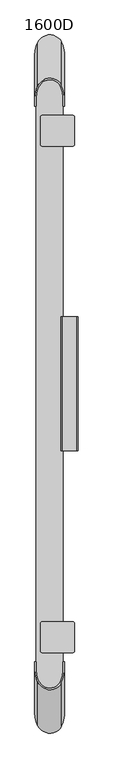
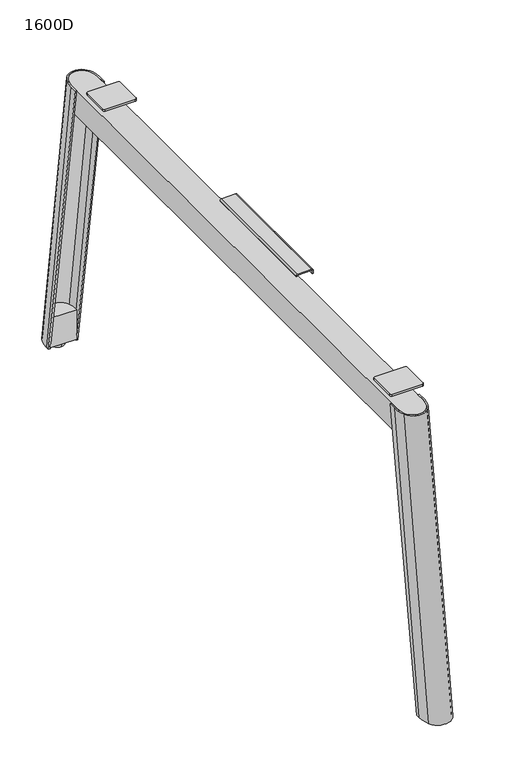
"""IFC4 building model written with IfcOpenShell, lengths in millimetres: furniture geometry, 1600D."""

from ifc_helpers import new_model, si_unit, point, frame, frame_2d, origin, place, context, project, spatial, polyline, circle_curve, trimmed, segment, composite_curve, outline, extrude, source, transform, mapped, element, save
from ifc_brep_helpers import plane_surface, cylinder_surface, extruded_surface, advanced_brep


def furniture_1600d_1111bcea(model_context):
    return source(origin(), model_context, "Body", "SolidModel", [
        extrude(outline(composite_curve([segment(polyline([(68.8203133, 718.8300936), (9.4999998, 718.8300936), (9.4999998, 730.4460962)]), True, "CONTINUOUS"), segment(trimmed(circle_curve(frame_2d((39.1601565, 730.4460962)), 29.6601567), [point((9.4999998, 730.4460962))], [point((68.8203133, 730.4460962))], False, "CARTESIAN"), True, "CONTINUOUS"), segment(polyline([(68.8203133, 730.4460962), (68.8203133, 718.8300936)]), True, "CONTINUOUS")], self_intersect=False)), frame((0.0, 0.0, 13.8007201), z_axis=(0.0, 0.0, 1.0), x_axis=(1.0, 0.0, 0.0)), (0.0, 0.0, 1.0), 70.145074),
        extrude(outline(composite_curve([segment(polyline([(68.8203133, -718.8300936), (68.8203133, -730.4460962)]), True, "CONTINUOUS"), segment(trimmed(circle_curve(frame_2d((39.1601565, -730.4460962)), 29.6601567), [point((68.8203133, -730.4460962))], [point((9.4999998, -730.4460962))], False, "CARTESIAN"), True, "CONTINUOUS"), segment(polyline([(9.4999998, -730.4460962), (9.4999998, -718.8300936), (68.8203133, -718.8300936)]), True, "CONTINUOUS")], self_intersect=False)), frame((0.0, 0.0, 13.8007201), z_axis=(0.0, 0.0, 1.0), x_axis=(1.0, 0.0, 0.0)), (0.0, 0.0, 1.0), 70.145074),
        advanced_brep(
        [(39.0898793, 742.200725, 0.0), (39.0898793, 727.9936344, 0.0), (39.0898793, 756.4078157, 0.0), (39.0898793, 727.9936344, 8.4999997), (39.0898793, 756.4078157, 8.4999997), (39.0898793, 737.1762861, 8.4999997), (39.0898793, 747.225164, 8.4999997), (39.0898793, 737.1762861, 16.425781), (39.0898793, 747.225164, 16.425781), (39.0898793, 742.200725, 16.425781)],
        [
            (0, 1),
            (1, 2, circle_curve(frame((39.0898793, 742.200725, 0.0), z_axis=(0.0, 0.0, -1.0), x_axis=(0.0, 1.0, 0.0)), 14.2070907)),
            (2, 0),
            (2, 1, circle_curve(frame((39.0898793, 742.200725, 0.0), z_axis=(0.0, 0.0, -1.0), x_axis=(0.0, 1.0, 0.0)), 14.2070907)),
            (1, 3),
            (3, 4, circle_curve(frame((39.0898793, 742.200725, 8.4999997), z_axis=(0.0, 0.0, -1.0), x_axis=(0.0, 1.0, 0.0)), 14.2070907)),
            (4, 2),
            (4, 3, circle_curve(frame((39.0898793, 742.200725, 8.4999997), z_axis=(0.0, 0.0, -1.0), x_axis=(0.0, 1.0, 0.0)), 14.2070907)),
            (3, 5),
            (5, 6, circle_curve(frame((39.0898793, 742.200725, 8.4999997), z_axis=(0.0, 0.0, -1.0), x_axis=(0.0, 1.0, 0.0)), 5.024439)),
            (6, 4),
            (6, 5, circle_curve(frame((39.0898793, 742.200725, 8.4999997), z_axis=(0.0, 0.0, -1.0), x_axis=(0.0, 1.0, 0.0)), 5.024439)),
            (5, 7),
            (7, 8, circle_curve(frame((39.0898793, 742.200725, 16.425781), z_axis=(0.0, 0.0, -1.0), x_axis=(0.0, 1.0, 0.0)), 5.024439)),
            (8, 6),
            (8, 7, circle_curve(frame((39.0898793, 742.200725, 16.425781), z_axis=(0.0, 0.0, -1.0), x_axis=(0.0, 1.0, 0.0)), 5.024439)),
            (7, 9),
            (9, 8),
        ],
        [
            plane_surface(frame((39.0898793, 742.200725, 0.0), z_axis=(0.0, 0.0, -1.0), x_axis=(0.0, 1.0, 0.0))),
            cylinder_surface(frame((39.0898793, 742.200725, 8.2128905), z_axis=(0.0, 0.0, -1.0), x_axis=(0.0, 1.0, 0.0)), 14.2070907),
            plane_surface(frame((39.0898793, 742.200725, 8.4999997), z_axis=(0.0, 0.0, 1.0), x_axis=(0.0, 1.0, 0.0))),
            cylinder_surface(frame((39.0898793, 742.200725, 8.2128905), z_axis=(0.0, 0.0, -1.0), x_axis=(0.0, 1.0, 0.0)), 5.024439),
            plane_surface(frame((39.0898793, 742.200725, 16.425781), z_axis=(0.0, 0.0, 1.0), x_axis=(0.0, 1.0, 0.0))),
        ],
        [
            (0, [[1, 2, 3]]),
            (0, [[-3, 4, -1]]),
            (1, [[5, 6, 7, -2]]),
            (1, [[-7, 8, -5, -4]]),
            (2, [[9, 10, 11, -6]]),
            (2, [[-11, 12, -9, -8]]),
            (3, [[13, 14, 15, -10]]),
            (3, [[-15, 16, -13, -12]]),
            (4, [[17, 18, -14]]),
            (4, [[-18, -17, -16]]),
        ],
    ),
        advanced_brep(
        [(6.0, 720.3455716, 9.9999392), (6.0, 729.1330566, 9.9999392), (12.3278754, 756.6042925, 9.9999392), (65.9903208, 757.1868484, 9.9999392), (72.000002, 732.3335408, 9.9999392), (72.000002, 720.3455716, 9.9999392), (68.8203133, 720.3455716, 9.9999392), (68.8203133, 732.3335408, 9.9999392), (64.8959051, 752.9141888, 9.9999392), (13.8271404, 752.6027447, 9.9999392), (9.4999998, 729.1330566, 9.9999392), (9.4999998, 720.3455716, 9.9999392), (6.0, 615.6790679, 689.9999617), (9.4999998, 615.6790679, 689.9999617), (9.4999998, 632.8830566, 689.9999617), (13.8271404, 656.3527447, 689.9999617), (64.8959051, 656.6641888, 689.9999617), (68.8203133, 636.0835408, 689.9999617), (68.8203133, 615.6790679, 689.9999617), (72.000002, 615.6790679, 689.9999617), (72.000002, 636.0835408, 689.9999617), (65.9903208, 660.9368484, 689.9999617), (12.3278754, 660.3542925, 689.9999617), (6.0, 632.8830566, 689.9999617)],
        [
            (0, 1),
            (1, 2, circle_curve(frame((68.794442, 729.1330566, 9.9999392), z_axis=(0.0, 0.0, -1.0), x_axis=(1.0, 0.0, 0.0)), 62.794442)),
            (2, 3, circle_curve(frame((39.3047374, 743.4799291, 9.9999392), z_axis=(0.0, 0.0, -1.0), x_axis=(1.0, 0.0, 0.0)), 30.0)),
            (3, 4, circle_curve(frame((17.6041738, 732.3335408, 9.9999392), z_axis=(0.0, 0.0, -1.0), x_axis=(1.0, 0.0, 0.0)), 54.3958282)),
            (4, 5),
            (5, 6),
            (6, 7),
            (7, 8, circle_curve(frame((12.8928932, 732.3335408, 9.9999392), z_axis=(0.0, 0.0, 1.0), x_axis=(1.0, 0.0, 0.0)), 55.9274201)),
            (8, 9, circle_curve(frame((39.4220553, 742.8326894, 9.9999392), z_axis=(0.0, 0.0, 1.0), x_axis=(1.0, 0.0, 0.0)), 27.3962343)),
            (9, 10, circle_curve(frame((75.3114051, 729.1330566, 9.9999392), z_axis=(0.0, 0.0, 1.0), x_axis=(1.0, 0.0, 0.0)), 65.8114053)),
            (10, 11),
            (11, 0),
            (12, 13),
            (13, 14),
            (14, 15, circle_curve(frame((75.3114051, 632.8830566, 689.9999617), z_axis=(0.0, 0.0, -1.0), x_axis=(1.0, 0.0, 0.0)), 65.8114053)),
            (15, 16, circle_curve(frame((39.4220553, 646.5826894, 689.9999617), z_axis=(0.0, 0.0, -1.0), x_axis=(1.0, 0.0, 0.0)), 27.3962343)),
            (16, 17, circle_curve(frame((12.8928932, 636.0835408, 689.9999617), z_axis=(0.0, 0.0, -1.0), x_axis=(1.0, 0.0, 0.0)), 55.9274201)),
            (17, 18),
            (18, 19),
            (19, 20),
            (20, 21, circle_curve(frame((17.6041738, 636.0835408, 689.9999617), z_axis=(0.0, 0.0, 1.0), x_axis=(1.0, 0.0, 0.0)), 54.3958282)),
            (21, 22, circle_curve(frame((39.3047374, 647.2299291, 689.9999617), z_axis=(0.0, 0.0, 1.0), x_axis=(1.0, 0.0, 0.0)), 30.0)),
            (22, 23, circle_curve(frame((68.794442, 632.8830566, 689.9999617), z_axis=(0.0, 0.0, 1.0), x_axis=(1.0, 0.0, 0.0)), 62.794442)),
            (23, 12),
            (13, 11),
            (10, 14),
            (9, 15),
            (8, 16),
            (7, 17),
            (6, 18),
            (19, 5),
            (4, 20),
            (3, 21),
            (2, 22),
            (1, 23),
            (0, 12),
        ],
        [
            plane_surface(frame((39.140156, 735.301963, 9.9999392), z_axis=(0.0, 0.0, -1.0), x_axis=(0.0, 1.0, 0.0))),
            plane_surface(frame((39.140156, 636.2464618, 689.9999617), z_axis=(0.0, 0.0, 1.0), x_axis=(0.0, 1.0, 0.0))),
            plane_surface(frame((9.4999998, 624.2810623, 689.9999617), z_axis=(1.0, 0.0, 0.0), x_axis=(0.0, 1.0, 0.0))),
            extruded_surface(trimmed(circle_curve(frame((75.3114051, 729.1330566, 9.9999392), z_axis=(0.0, 0.0, -1.0), x_axis=(1.0, 0.0, 0.0)), 65.8114053), [point((9.4999998, 729.1330566, 9.9999392))], [point((13.8271404, 752.6027447, 9.9999392))], True, "CARTESIAN"), (0.0, -96.25, 680.0000225), 686.778052284725),
            extruded_surface(trimmed(circle_curve(frame((39.4220553, 742.8326894, 9.9999392), z_axis=(0.0, 0.0, -1.0), x_axis=(1.0, 0.0, 0.0)), 27.3962343), [point((13.8271404, 752.6027447, 9.9999392))], [point((64.8959051, 752.9141888, 9.9999392))], True, "CARTESIAN"), (0.0, -96.25, 680.0000225), 686.778052284725),
            extruded_surface(trimmed(circle_curve(frame((12.8928932, 732.3335408, 9.9999392), z_axis=(0.0, 0.0, -1.0), x_axis=(1.0, 0.0, 0.0)), 55.9274201), [point((64.8959051, 752.9141888, 9.9999392))], [point((68.8203133, 732.3335408, 9.9999392))], True, "CARTESIAN"), (0.0, -96.25, 680.0000225), 686.778052284725),
            plane_surface(frame((68.8203133, 625.8813044, 689.9999617), z_axis=(-1.0, 0.0, 0.0), x_axis=(0.0, -1.0, 0.0))),
            plane_surface(frame((72.000002, 625.8813044, 689.9999617), z_axis=(1.0, 0.0, 0.0), x_axis=(0.0, 1.0, 0.0))),
            extruded_surface(trimmed(circle_curve(frame((17.6041738, 732.3335408, 9.9999392), z_axis=(0.0, 0.0, 1.0), x_axis=(1.0, 0.0, 0.0)), 54.3958282), [point((72.000002, 732.3335408, 9.9999392))], [point((65.9903208, 757.1868484, 9.9999392))], True, "CARTESIAN"), (0.0, -96.25, 680.0000225), 686.778052284725),
            extruded_surface(trimmed(circle_curve(frame((39.3047374, 743.4799291, 9.9999392), z_axis=(0.0, 0.0, 1.0), x_axis=(1.0, 0.0, 0.0)), 30.0), [point((65.9903208, 757.1868484, 9.9999392))], [point((12.3278754, 756.6042925, 9.9999392))], True, "CARTESIAN"), (0.0, -96.25, 680.0000225), 686.778052284725),
            extruded_surface(trimmed(circle_curve(frame((68.794442, 729.1330566, 9.9999392), z_axis=(0.0, 0.0, 1.0), x_axis=(1.0, 0.0, 0.0)), 62.794442), [point((12.3278754, 756.6042925, 9.9999392))], [point((6.0, 729.1330566, 9.9999392))], True, "CARTESIAN"), (0.0, -96.25, 680.0000225), 686.778052284725),
            plane_surface(frame((6.0, 624.2810623, 689.9999617), z_axis=(-1.0, 0.0, 0.0), x_axis=(0.0, -1.0, 0.0))),
            plane_surface(frame((70.4101576, 615.6790679, 689.9999617), z_axis=(0.0, -0.9883605292443499, -0.15212976116404248), x_axis=(1.0, 0.0, 0.0))),
            plane_surface(frame((7.7499999, 615.6790679, 689.9999617), z_axis=(0.0, -0.9883605292443499, -0.15212976116404248), x_axis=(1.0, 0.0, 0.0))),
        ],
        [
            (0, [[1, 2, 3, 4, 5, 6, 7, 8, 9, 10, 11, 12]]),
            (1, [[13, 14, 15, 16, 17, 18, 19, 20, 21, 22, 23, 24]]),
            (2, [[25, -11, 26, -14]]),
            (3, [[-26, -10, 27, -15]]),
            (4, [[-27, -9, 28, -16]]),
            (5, [[-28, -8, 29, -17]]),
            (6, [[-29, -7, 30, -18]]),
            (7, [[31, -5, 32, -20]]),
            (8, [[-32, -4, 33, -21]]),
            (9, [[-33, -3, 34, -22]]),
            (10, [[-34, -2, 35, -23]]),
            (11, [[-35, -1, 36, -24]]),
            (12, [[-30, -6, -31, -19]]),
            (13, [[-36, -12, -25, -13]]),
        ],
    ),
        extrude(outline(composite_curve([segment(polyline([(684.9999762, 101.9999968), (692.2639206, 101.9999968)]), True, "CONTINUOUS"), segment(trimmed(circle_curve(frame_2d((692.2639206, 99.2639174)), 2.7360794), [point((692.2639206, 101.9999968))], [point((695.0, 99.2639174))], False, "CARTESIAN"), True, "CONTINUOUS"), segment(polyline([(695.0, 99.2639174), (695.0, 67.4243659)]), True, "CONTINUOUS"), segment(trimmed(circle_curve(frame_2d((691.5717269, 67.4243659)), 3.4282731), [point((695.0, 67.4243659))], [point((691.5717269, 63.9960928))], False, "CARTESIAN"), True, "CONTINUOUS"), segment(polyline([(691.5717269, 63.9960928), (659.9999033, 63.9960928), (659.9999033, 66.0000003), (691.8821336, 66.0000003)]), True, "CONTINUOUS"), segment(trimmed(circle_curve(frame_2d((691.8821336, 67.1177906)), 1.1177903), [point((691.8821336, 66.0000003))], [point((692.9999239, 67.1177906))], True, "CARTESIAN"), True, "CONTINUOUS"), segment(polyline([(692.9999239, 67.1177906), (692.9999239, 99.3771905)]), True, "CONTINUOUS"), segment(trimmed(circle_curve(frame_2d((692.3771136, 99.3771905)), 0.6228103), [point((692.9999239, 99.3771905))], [point((692.3771136, 100.0000008))], True, "CARTESIAN"), True, "CONTINUOUS"), segment(polyline([(692.3771136, 100.0000008), (684.9999762, 100.0000008), (684.9999762, 101.9999968)]), True, "CONTINUOUS")], self_intersect=False)), frame((0.0, -148.3834633, 0.0), z_axis=(0.0, 1.0, 0.0), x_axis=(0.0, 0.0, 1.0)), (0.0, 0.0, 1.0), 297.4145122),
        extrude(outline(composite_curve([segment(polyline([(90.5088092, -594.9829111), (22.5039068, -594.9829111)]), True, "CONTINUOUS"), segment(trimmed(circle_curve(frame_2d((22.5039068, -591.4829111)), 3.5), [point((22.5039068, -594.9829111))], [point((19.0039068, -591.4829111))], False, "CARTESIAN"), True, "CONTINUOUS"), segment(polyline([(19.0039068, -591.4829111), (19.0039068, -530.4829193)]), True, "CONTINUOUS"), segment(trimmed(circle_curve(frame_2d((22.5039068, -530.4829193)), 3.5), [point((19.0039068, -530.4829193))], [point((22.5039068, -526.9829193))], False, "CARTESIAN"), True, "CONTINUOUS"), segment(polyline([(22.5039068, -526.9829193), (90.5039096, -526.9829193)]), True, "CONTINUOUS"), segment(trimmed(circle_curve(frame_2d((90.5039096, -530.4829193)), 3.5), [point((90.5039096, -526.9829193))], [point((94.0039096, -530.4829193))], False, "CARTESIAN"), True, "CONTINUOUS"), segment(polyline([(94.0039096, -530.4829193), (94.0039096, -591.4878107)]), True, "CONTINUOUS"), segment(trimmed(circle_curve(frame_2d((90.5088092, -591.4878107)), 3.4951004), [point((94.0039096, -591.4878107))], [point((90.5088092, -594.9829111))], False, "CARTESIAN"), True, "CONTINUOUS")], self_intersect=False)), frame((0.0, 0.0, 689.9999617), z_axis=(0.0, 0.0, 1.0), x_axis=(1.0, 0.0, 0.0)), (0.0, 0.0, 1.0), 5.0000383),
        extrude(outline(composite_curve([segment(trimmed(circle_curve(frame_2d((90.5088092, 591.4878107)), 3.4951004), [point((90.5088092, 594.9829111))], [point((94.0039096, 591.4878107))], False, "CARTESIAN"), True, "CONTINUOUS"), segment(polyline([(94.0039096, 591.4878107), (94.0039096, 530.4829193)]), True, "CONTINUOUS"), segment(trimmed(circle_curve(frame_2d((90.5039096, 530.4829193)), 3.5), [point((94.0039096, 530.4829193))], [point((90.5039096, 526.9829193))], False, "CARTESIAN"), True, "CONTINUOUS"), segment(polyline([(90.5039096, 526.9829193), (22.5039068, 526.9829193)]), True, "CONTINUOUS"), segment(trimmed(circle_curve(frame_2d((22.5039068, 530.4829193)), 3.5), [point((22.5039068, 526.9829193))], [point((19.0039068, 530.4829193))], False, "CARTESIAN"), True, "CONTINUOUS"), segment(polyline([(19.0039068, 530.4829193), (19.0039068, 591.4829111)]), True, "CONTINUOUS"), segment(trimmed(circle_curve(frame_2d((22.5039068, 591.4829111)), 3.5), [point((19.0039068, 591.4829111))], [point((22.5039068, 594.9829111))], False, "CARTESIAN"), True, "CONTINUOUS"), segment(polyline([(22.5039068, 594.9829111), (90.5088092, 594.9829111)]), True, "CONTINUOUS")], self_intersect=False)), frame((0.0, 0.0, 689.9999617), z_axis=(0.0, 0.0, 1.0), x_axis=(1.0, 0.0, 0.0)), (0.0, 0.0, 1.0), 5.0000383),
        advanced_brep(
        [(39.0898793, -727.9936344, 0.0), (39.0898793, -742.200725, 0.0), (39.0898793, -756.4078157, 0.0), (39.0898793, -727.9936344, 8.4999997), (39.0898793, -756.4078157, 8.4999997), (39.0898793, -737.1762861, 8.4999997), (39.0898793, -747.225164, 8.4999997), (39.0898793, -737.1762861, 16.425781), (39.0898793, -747.225164, 16.425781), (39.0898793, -742.200725, 16.425781)],
        [
            (0, 1),
            (1, 2),
            (2, 0, circle_curve(frame((39.0898793, -742.200725, 0.0), z_axis=(0.0, 0.0, -1.0), x_axis=(0.0, -1.0, 0.0)), 14.2070907)),
            (0, 2, circle_curve(frame((39.0898793, -742.200725, 0.0), z_axis=(0.0, 0.0, -1.0), x_axis=(0.0, -1.0, 0.0)), 14.2070907)),
            (3, 0),
            (2, 4),
            (4, 3, circle_curve(frame((39.0898793, -742.200725, 8.4999997), z_axis=(0.0, 0.0, -1.0), x_axis=(0.0, -1.0, 0.0)), 14.2070907)),
            (3, 4, circle_curve(frame((39.0898793, -742.200725, 8.4999997), z_axis=(0.0, 0.0, -1.0), x_axis=(0.0, -1.0, 0.0)), 14.2070907)),
            (5, 3),
            (4, 6),
            (6, 5, circle_curve(frame((39.0898793, -742.200725, 8.4999997), z_axis=(0.0, 0.0, -1.0), x_axis=(0.0, -1.0, 0.0)), 5.024439)),
            (5, 6, circle_curve(frame((39.0898793, -742.200725, 8.4999997), z_axis=(0.0, 0.0, -1.0), x_axis=(0.0, -1.0, 0.0)), 5.024439)),
            (7, 5),
            (6, 8),
            (8, 7, circle_curve(frame((39.0898793, -742.200725, 16.425781), z_axis=(0.0, 0.0, -1.0), x_axis=(0.0, -1.0, 0.0)), 5.024439)),
            (7, 8, circle_curve(frame((39.0898793, -742.200725, 16.425781), z_axis=(0.0, 0.0, -1.0), x_axis=(0.0, -1.0, 0.0)), 5.024439)),
            (9, 7),
            (8, 9),
        ],
        [
            plane_surface(frame((39.0898793, -742.200725, 0.0), z_axis=(0.0, 0.0, -1.0), x_axis=(0.0, -1.0, 0.0))),
            cylinder_surface(frame((39.0898793, -742.200725, 8.2128905), z_axis=(0.0, 0.0, 1.0), x_axis=(0.0, -1.0, 0.0)), 14.2070907),
            plane_surface(frame((39.0898793, -742.200725, 8.4999997), z_axis=(0.0, 0.0, 1.0), x_axis=(0.0, -1.0, 0.0))),
            cylinder_surface(frame((39.0898793, -742.200725, 8.2128905), z_axis=(0.0, 0.0, 1.0), x_axis=(0.0, -1.0, 0.0)), 5.024439),
            plane_surface(frame((39.0898793, -742.200725, 16.425781), z_axis=(0.0, 0.0, 1.0), x_axis=(0.0, -1.0, 0.0))),
        ],
        [
            (0, [[1, 2, 3]]),
            (0, [[-2, -1, 4]]),
            (1, [[5, -3, 6, 7]]),
            (1, [[-6, -4, -5, 8]]),
            (2, [[9, -7, 10, 11]]),
            (2, [[-10, -8, -9, 12]]),
            (3, [[13, -11, 14, 15]]),
            (3, [[-14, -12, -13, 16]]),
            (4, [[17, -15, 18]]),
            (4, [[-18, -16, -17]]),
        ],
    ),
        advanced_brep(
        [(6.0, -720.3455716, 9.9999392), (9.4999998, -720.3455716, 9.9999392), (9.4999998, -729.1330566, 9.9999392), (13.8271404, -752.6027447, 9.9999392), (64.8959051, -752.9141888, 9.9999392), (68.8203133, -732.3335408, 9.9999392), (68.8203133, -720.3455716, 9.9999392), (72.000002, -720.3455716, 9.9999392), (72.000002, -732.3335408, 9.9999392), (65.9903208, -757.1868484, 9.9999392), (12.3278754, -756.6042925, 9.9999392), (6.0, -729.1330566, 9.9999392), (6.0, -615.6790679, 689.9999617), (6.0, -632.8830566, 689.9999617), (12.3278754, -660.3542925, 689.9999617), (65.9903208, -660.9368484, 689.9999617), (72.000002, -636.0835408, 689.9999617), (72.000002, -615.6790679, 689.9999617), (68.8203133, -615.6790679, 689.9999617), (68.8203133, -636.0835408, 689.9999617), (64.8959051, -656.6641888, 689.9999617), (13.8271404, -656.3527447, 689.9999617), (9.4999998, -632.8830566, 689.9999617), (9.4999998, -615.6790679, 689.9999617)],
        [
            (0, 1),
            (1, 2),
            (2, 3, circle_curve(frame((75.3114051, -729.1330566, 9.9999392), z_axis=(0.0, 0.0, 1.0), x_axis=(1.0, 0.0, 0.0)), 65.8114053)),
            (3, 4, circle_curve(frame((39.4220553, -742.8326894, 9.9999392), z_axis=(0.0, 0.0, 1.0), x_axis=(1.0, 0.0, 0.0)), 27.3962343)),
            (4, 5, circle_curve(frame((12.8928932, -732.3335408, 9.9999392), z_axis=(0.0, 0.0, 1.0), x_axis=(1.0, 0.0, 0.0)), 55.9274201)),
            (5, 6),
            (6, 7),
            (7, 8),
            (8, 9, circle_curve(frame((17.6041738, -732.3335408, 9.9999392), z_axis=(0.0, 0.0, -1.0), x_axis=(1.0, 0.0, 0.0)), 54.3958282)),
            (9, 10, circle_curve(frame((39.3047374, -743.4799291, 9.9999392), z_axis=(0.0, 0.0, -1.0), x_axis=(1.0, 0.0, 0.0)), 30.0)),
            (10, 11, circle_curve(frame((68.794442, -729.1330566, 9.9999392), z_axis=(0.0, 0.0, -1.0), x_axis=(1.0, 0.0, 0.0)), 62.794442)),
            (11, 0),
            (12, 13),
            (13, 14, circle_curve(frame((68.794442, -632.8830566, 689.9999617), z_axis=(0.0, 0.0, 1.0), x_axis=(1.0, 0.0, 0.0)), 62.794442)),
            (14, 15, circle_curve(frame((39.3047374, -647.2299291, 689.9999617), z_axis=(0.0, 0.0, 1.0), x_axis=(1.0, 0.0, 0.0)), 30.0)),
            (15, 16, circle_curve(frame((17.6041738, -636.0835408, 689.9999617), z_axis=(0.0, 0.0, 1.0), x_axis=(1.0, 0.0, 0.0)), 54.3958282)),
            (16, 17),
            (17, 18),
            (18, 19),
            (19, 20, circle_curve(frame((12.8928932, -636.0835408, 689.9999617), z_axis=(0.0, 0.0, -1.0), x_axis=(1.0, 0.0, 0.0)), 55.9274201)),
            (20, 21, circle_curve(frame((39.4220553, -646.5826894, 689.9999617), z_axis=(0.0, 0.0, -1.0), x_axis=(1.0, 0.0, 0.0)), 27.3962343)),
            (21, 22, circle_curve(frame((75.3114051, -632.8830566, 689.9999617), z_axis=(0.0, 0.0, -1.0), x_axis=(1.0, 0.0, 0.0)), 65.8114053)),
            (22, 23),
            (23, 12),
            (22, 2),
            (1, 23),
            (21, 3),
            (20, 4),
            (19, 5),
            (18, 6),
            (16, 8),
            (7, 17),
            (15, 9),
            (14, 10),
            (13, 11),
            (12, 0),
        ],
        [
            plane_surface(frame((39.140156, -735.301963, 9.9999392), z_axis=(0.0, 0.0, -1.0), x_axis=(0.0, 1.0, 0.0))),
            plane_surface(frame((39.140156, -636.2464618, 689.9999617), z_axis=(0.0, 0.0, 1.0), x_axis=(0.0, 1.0, 0.0))),
            plane_surface(frame((9.4999998, -624.2810623, 689.9999617), z_axis=(1.0, 0.0, 0.0), x_axis=(0.0, 1.0, 0.0))),
            extruded_surface(trimmed(circle_curve(frame((75.3114051, -729.1330566, 9.9999392), z_axis=(0.0, 0.0, -1.0), x_axis=(1.0, 0.0, 0.0)), 65.8114053), [point((13.8271404, -752.6027447, 9.9999392))], [point((9.4999998, -729.1330566, 9.9999392))], True, "CARTESIAN"), (0.0, 96.25, 680.0000225), 686.778052284725),
            extruded_surface(trimmed(circle_curve(frame((39.4220553, -742.8326894, 9.9999392), z_axis=(0.0, 0.0, -1.0), x_axis=(1.0, 0.0, 0.0)), 27.3962343), [point((64.8959051, -752.9141888, 9.9999392))], [point((13.8271404, -752.6027447, 9.9999392))], True, "CARTESIAN"), (0.0, 96.25, 680.0000225), 686.778052284725),
            extruded_surface(trimmed(circle_curve(frame((12.8928932, -732.3335408, 9.9999392), z_axis=(0.0, 0.0, -1.0), x_axis=(1.0, 0.0, 0.0)), 55.9274201), [point((68.8203133, -732.3335408, 9.9999392))], [point((64.8959051, -752.9141888, 9.9999392))], True, "CARTESIAN"), (0.0, 96.25, 680.0000225), 686.778052284725),
            plane_surface(frame((68.8203133, -625.8813044, 689.9999617), z_axis=(-1.0, 0.0, 0.0), x_axis=(0.0, -1.0, 0.0))),
            plane_surface(frame((72.000002, -625.8813044, 689.9999617), z_axis=(1.0, 0.0, 0.0), x_axis=(0.0, 1.0, 0.0))),
            extruded_surface(trimmed(circle_curve(frame((17.6041738, -732.3335408, 9.9999392), z_axis=(0.0, 0.0, 1.0), x_axis=(1.0, 0.0, 0.0)), 54.3958282), [point((65.9903208, -757.1868484, 9.9999392))], [point((72.000002, -732.3335408, 9.9999392))], True, "CARTESIAN"), (0.0, 96.25, 680.0000225), 686.778052284725),
            extruded_surface(trimmed(circle_curve(frame((39.3047374, -743.4799291, 9.9999392), z_axis=(0.0, 0.0, 1.0), x_axis=(1.0, 0.0, 0.0)), 30.0), [point((12.3278754, -756.6042925, 9.9999392))], [point((65.9903208, -757.1868484, 9.9999392))], True, "CARTESIAN"), (0.0, 96.25, 680.0000225), 686.778052284725),
            extruded_surface(trimmed(circle_curve(frame((68.794442, -729.1330566, 9.9999392), z_axis=(0.0, 0.0, 1.0), x_axis=(1.0, 0.0, 0.0)), 62.794442), [point((6.0, -729.1330566, 9.9999392))], [point((12.3278754, -756.6042925, 9.9999392))], True, "CARTESIAN"), (0.0, 96.25, 680.0000225), 686.778052284725),
            plane_surface(frame((6.0, -624.2810623, 689.9999617), z_axis=(-1.0, 0.0, 0.0), x_axis=(0.0, -1.0, 0.0))),
            plane_surface(frame((70.4101576, -615.6790679, 689.9999617), z_axis=(0.0, 0.9883605292443499, -0.15212976116404248), x_axis=(-1.0, 0.0, 0.0))),
            plane_surface(frame((7.7499999, -615.6790679, 689.9999617), z_axis=(0.0, 0.9883605292443499, -0.15212976116404248), x_axis=(-1.0, 0.0, 0.0))),
        ],
        [
            (0, [[1, 2, 3, 4, 5, 6, 7, 8, 9, 10, 11, 12]]),
            (1, [[13, 14, 15, 16, 17, 18, 19, 20, 21, 22, 23, 24]]),
            (2, [[25, -2, 26, -23]]),
            (3, [[27, -3, -25, -22]]),
            (4, [[28, -4, -27, -21]]),
            (5, [[29, -5, -28, -20]]),
            (6, [[30, -6, -29, -19]]),
            (7, [[31, -8, 32, -17]]),
            (8, [[33, -9, -31, -16]]),
            (9, [[34, -10, -33, -15]]),
            (10, [[35, -11, -34, -14]]),
            (11, [[36, -12, -35, -13]]),
            (12, [[-32, -7, -30, -18]]),
            (13, [[-26, -1, -36, -24]]),
        ],
    ),
        extrude(outline(composite_curve([segment(polyline([(9.4999998, -644.6940728), (9.4999998, 644.903505)]), True, "CONTINUOUS"), segment(trimmed(circle_curve(frame_2d((39.1601565, 644.903505)), 29.6601567), [point((9.4999998, 644.903505))], [point((68.8203133, 644.903505))], False, "CARTESIAN"), True, "CONTINUOUS"), segment(polyline([(68.8203133, 644.903505), (68.8203133, -644.6940728)]), True, "CONTINUOUS"), segment(trimmed(circle_curve(frame_2d((39.1601565, -644.6940728)), 29.6601567), [point((68.8203133, -644.6940728))], [point((9.4999998, -644.6940728))], False, "CARTESIAN"), True, "CONTINUOUS")], self_intersect=False)), frame((0.0, 0.0, 629.5582913), z_axis=(0.0, 0.0, 1.0), x_axis=(1.0, 0.0, 0.0)), (0.0, 0.0, 1.0), 60.4416704),
    ])


if __name__ == "__main__":
    model = new_model("IFC4")
    model_context = context("Model", 3, world=origin())
    ifc_project = project(units=[si_unit("LENGTHUNIT", "METRE", prefix="MILLI")], contexts=[model_context])
    site = spatial("IfcSite", under=ifc_project)
    building = spatial("IfcBuilding", under=site)
    placement = place(None, origin())
    furniture_1600d_shape = furniture_1600d_1111bcea(model_context)
    element("IfcFurniture", 1, ObjectType="1600D", at=placement, inside=building, context=model_context, shape_type="MappedRepresentation", body=[
        mapped(furniture_1600d_shape, transform((0.0, 0.0, 0.0), x_axis=(1.0, 0.0, 0.0), y_axis=(0.0, 1.0, 0.0), z_axis=(0.0, 0.0, 1.0))),
    ])
    save(model, "model.ifc")
